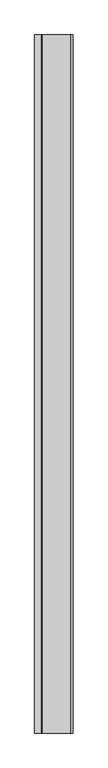
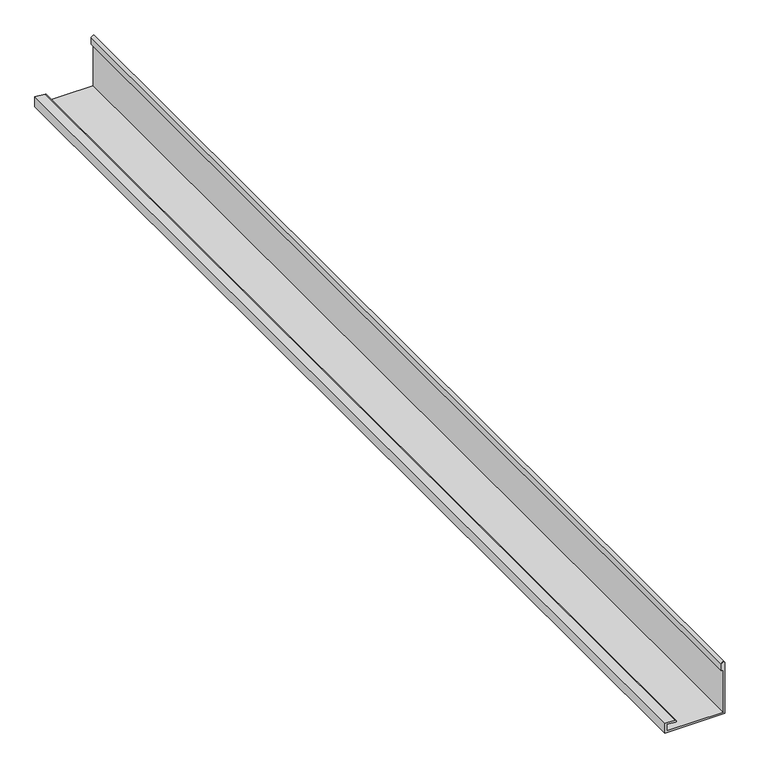
"""IFC4 building model written with IfcOpenShell, lengths in millimetres: proxy geometry."""

from ifc_helpers import new_model, si_unit, point, frame, frame_2d, origin, place, context, project, spatial, polyline, circle_curve, trimmed, segment, composite_curve, outline, extrude, source, transform, mapped, element, save


def generic_models_ac6e47fa(model_context):
    return source(origin(), model_context, "Body", "SweptSolid", [
        extrude(outline(composite_curve([segment(polyline([(3799.2452806, -1374.2625768), (3799.2452806, -1204.2625768), (3949.6655464, -1204.2625768)]), True, "CONTINUOUS"), segment(trimmed(circle_curve(frame_2d((3949.6655464, -1209.2625768)), 5.0), [point((3949.6655464, -1204.2625768))], [point((3949.6655464, -1214.2625768))], False, "CARTESIAN"), True, "CONTINUOUS"), segment(polyline([(3949.6655464, -1214.2625768), (3929.6655464, -1214.2625768), (3929.6655464, -1209.2625768), (3804.2452806, -1209.2625768), (3804.2452806, -1369.2625768), (3823.7887381, -1369.2625768), (3821.6496348, -1344.8125146)]), True, "CONTINUOUS"), segment(trimmed(circle_curve(frame_2d((3824.1401216, -1344.5946253)), 2.5), [point((3821.6496348, -1344.8125146))], [point((3826.6306083, -1344.3767359))], False, "CARTESIAN"), True, "CONTINUOUS"), segment(polyline([(3826.6306083, -1344.3767359), (3829.2452806, -1374.2625768), (3799.2452806, -1374.2625768)]), True, "CONTINUOUS")], self_intersect=False)), frame((0.0, -4551.0033806, 0.0), z_axis=(0.0, 1.0, 0.0), x_axis=(0.0, 0.0, 1.0)), (0.0, 0.0, 1.0), 3090.0),
    ])


if __name__ == "__main__":
    model = new_model("IFC4")
    model_context = context("Model", 3, world=origin())
    ifc_project = project(units=[si_unit("LENGTHUNIT", "METRE", prefix="MILLI")], contexts=[model_context])
    site = spatial("IfcSite", under=ifc_project)
    building = spatial("IfcBuilding", under=site)
    placement = place(None, origin())
    generic_models_shape = generic_models_ac6e47fa(model_context)
    element("IfcBuildingElementProxy", 1, Name="Generic Models", at=placement, inside=building, context=model_context, shape_type="MappedRepresentation", body=[
        mapped(generic_models_shape, transform((0.0, 0.0, 0.0), x_axis=(1.0, 0.0, 0.0), y_axis=(0.0, 1.0, 0.0), z_axis=(0.0, 0.0, 1.0))),
    ])
    save(model, "model.ifc")
